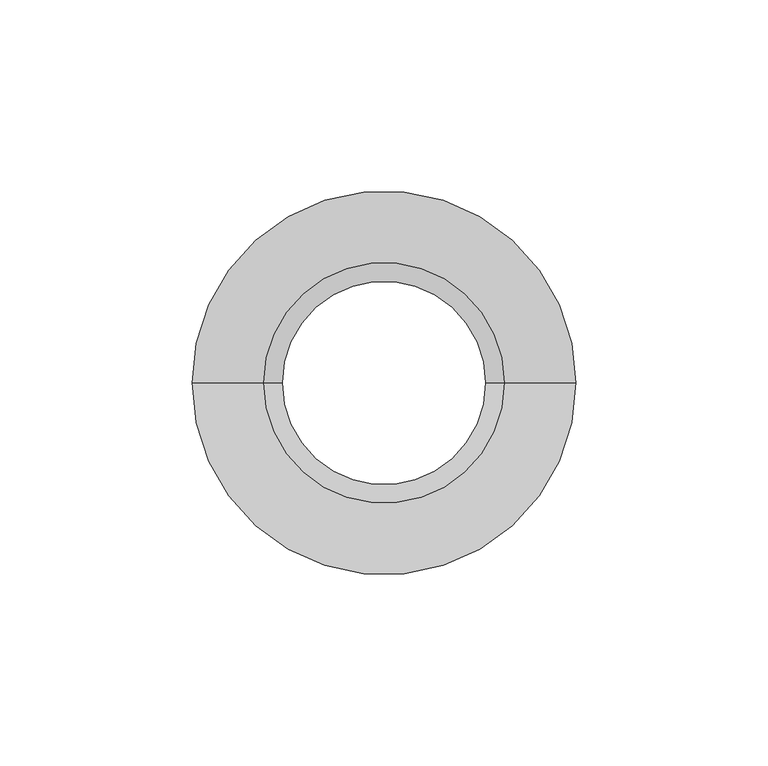
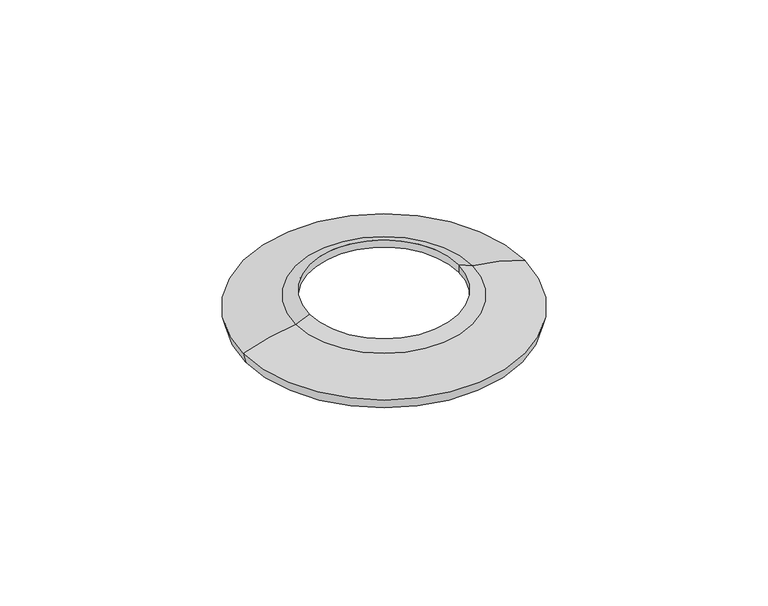
"""IFC4 building model written with IfcOpenShell, lengths in millimetres: proxy geometry."""

from ifc_helpers import new_model, si_unit, point, frame, origin, place, context, project, spatial, polyline, circle_curve, ellipse_curve, trimmed, source, transform, mapped, element, save
from ifc_brep_helpers import plane_surface, revolved_surface, advanced_brep


def electrical_fixtures_ba26aba7(model_context):
    return source(origin(), model_context, "Body", "AdvancedBrep", [
        advanced_brep(
        [(31.2841563, 0.0, 8.0076008), (-31.2841563, 0.0, 8.0076008), (-26.5, 0.0, 10.1), (26.5, 0.0, 10.1), (-26.5, 0.0, 7.3495066), (26.5, 0.0, 7.3495066), (49.9416023, 0.0, 3.5371028), (-49.9416023, 0.0, 3.5371028), (49.1183372, 0.0, 0.0), (-49.1183372, 0.0, 0.0), (48.0473465, 0.0, 0.0), (-48.0473465, 0.0, 0.0), (48.0473465, 0.0, 2.6069445), (-48.0473465, 0.0, 2.6069445)],
        [
            (0, 1, circle_curve(frame((0.0, 0.0, 8.0076008), z_axis=(0.0, 0.0, 1.0), x_axis=(-1.0, 0.0, 0.0)), 31.2841563)),
            (1, 2),
            (2, 3, circle_curve(frame((0.0, 0.0, 10.1), z_axis=(0.0, 0.0, -1.0), x_axis=(-1.0, 0.0, 0.0)), 26.5)),
            (3, 0),
            (1, 0, circle_curve(frame((0.0, 0.0, 8.0076008), z_axis=(0.0, 0.0, 1.0), x_axis=(-1.0, 0.0, 0.0)), 31.2841563)),
            (3, 2, circle_curve(frame((0.0, 0.0, 10.1), z_axis=(0.0, 0.0, -1.0), x_axis=(-1.0, 0.0, 0.0)), 26.5)),
            (2, 4),
            (4, 5, circle_curve(frame((0.0, 0.0, 7.3495066), z_axis=(0.0, 0.0, -1.0), x_axis=(-1.0, 0.0, 0.0)), 26.5)),
            (5, 3),
            (5, 4, circle_curve(frame((0.0, 0.0, 7.3495066), z_axis=(0.0, 0.0, -1.0), x_axis=(-1.0, 0.0, 0.0)), 26.5)),
            (6, 7, circle_curve(frame((0.0, 0.0, 3.5371028), z_axis=(0.0, 0.0, 1.0), x_axis=(-1.0, 0.0, 0.0)), 49.9416023)),
            (7, 1, circle_curve(frame((-22.4989683, 0.0, -69.8253366), z_axis=(0.0, 1.0, 0.0), x_axis=(1.0, 0.0, 0.0)), 78.3271708)),
            (0, 6, circle_curve(frame((22.4989683, 0.0, -69.8253366), z_axis=(0.0, 1.0, 0.0), x_axis=(-1.0, 0.0, 0.0)), 78.3271708)),
            (7, 6, circle_curve(frame((0.0, 0.0, 3.5371028), z_axis=(0.0, 0.0, 1.0), x_axis=(-1.0, 0.0, 0.0)), 49.9416023)),
            (8, 9, circle_curve(frame((0.0, 0.0, 0.0), z_axis=(0.0, 0.0, 1.0), x_axis=(-1.0, 0.0, 0.0)), 49.1183372)),
            (9, 7),
            (6, 8),
            (9, 8, circle_curve(frame((0.0, 0.0, 0.0), z_axis=(0.0, 0.0, 1.0), x_axis=(-1.0, 0.0, 0.0)), 49.1183372)),
            (10, 11, circle_curve(frame((0.0, 0.0, 0.0), z_axis=(0.0, 0.0, 1.0), x_axis=(-1.0, 0.0, 0.0)), 48.0473465)),
            (11, 9),
            (8, 10),
            (11, 10, circle_curve(frame((0.0, 0.0, 0.0), z_axis=(0.0, 0.0, 1.0), x_axis=(-1.0, 0.0, 0.0)), 48.0473465)),
            (12, 13, circle_curve(frame((0.0, 0.0, 2.6069445), z_axis=(0.0, 0.0, 1.0), x_axis=(-1.0, 0.0, 0.0)), 48.0473465)),
            (13, 11),
            (10, 12),
            (13, 12, circle_curve(frame((0.0, 0.0, 2.6069445), z_axis=(0.0, 0.0, 1.0), x_axis=(-1.0, 0.0, 0.0)), 48.0473465)),
            (4, 13, circle_curve(frame((-20.6047125, 0.0, -70.755495), z_axis=(0.0, -1.0, 0.0), x_axis=(1.0, 0.0, 0.0)), 78.3271708)),
            (12, 5, circle_curve(frame((20.6047125, 0.0, -70.755495), z_axis=(0.0, -1.0, 0.0), x_axis=(-1.0, 0.0, 0.0)), 78.3271708)),
        ],
        [
            revolved_surface(polyline([(-26.5, 0.0, 10.1), (-31.2841563, 0.0, 8.0076008)]), (0.0, 0.0, 2609.0581012), (0.0, 0.0, -1.0)),
            revolved_surface(polyline([(-26.5, 0.0, 7.349506600000041), (-26.5, 0.0, 10.099999999999909)]), (0.0, 0.0, 2609.0581012), (0.0, 0.0, -1.0)),
            revolved_surface(trimmed(ellipse_curve(frame((-22.4989683, 0.0, -69.8253366), z_axis=(0.0, -1.0, 0.0), x_axis=(1.0, 0.0, 0.0)), 78.3271708, 78.3271708), [point((-31.2841563, 0.0, 8.0076008))], [point((-49.9416023, 0.0, 3.5371028))], True, "CARTESIAN"), (0.0, 0.0, 2609.0581012), (0.0, 0.0, -1.0)),
            revolved_surface(polyline([(-49.9416023, 0.0, 3.5371028), (-49.1183372, 0.0, 0.0)]), (0.0, 0.0, 2609.0581012), (0.0, 0.0, -1.0)),
            plane_surface(frame((0.0, 0.0, 0.0), z_axis=(0.0, 0.0, -1.0), x_axis=(-1.0, 0.0, 0.0))),
            revolved_surface(polyline([(-48.0473465, 0.0, 0.0), (-48.0473465, 0.0, 2.606944499999827)]), (0.0, 0.0, 2609.0581012), (0.0, 0.0, -1.0)),
            revolved_surface(trimmed(ellipse_curve(frame((-20.6047125, 0.0, -70.755495), z_axis=(0.0, 1.0, 0.0), x_axis=(1.0, 0.0, 0.0)), 78.3271708, 78.3271708), [point((-48.0473465, 0.0, 2.6069445))], [point((-26.5, 0.0, 7.3495066))], True, "CARTESIAN"), (0.0, 0.0, 2609.0581012), (0.0, 0.0, -1.0)),
        ],
        [
            (0, [[1, 2, 3, 4]]),
            (0, [[5, -4, 6, -2]]),
            (1, [[-3, 7, 8, 9]]),
            (1, [[-6, -9, 10, -7]]),
            (2, [[11, 12, -1, 13]]),
            (2, [[14, -13, -5, -12]]),
            (3, [[15, 16, -11, 17]]),
            (3, [[18, -17, -14, -16]]),
            (4, [[19, 20, -15, 21]]),
            (4, [[22, -21, -18, -20]]),
            (5, [[23, 24, -19, 25]]),
            (5, [[26, -25, -22, -24]]),
            (6, [[-8, 27, -23, 28]]),
            (6, [[-10, -28, -26, -27]]),
        ],
    ),
    ])


if __name__ == "__main__":
    model = new_model("IFC4")
    model_context = context("Model", 3, world=origin())
    ifc_project = project(units=[si_unit("LENGTHUNIT", "METRE", prefix="MILLI")], contexts=[model_context])
    site = spatial("IfcSite", under=ifc_project)
    building = spatial("IfcBuilding", under=site)
    placement = place(None, origin())
    electrical_fixtures_shape = electrical_fixtures_ba26aba7(model_context)
    element("IfcBuildingElementProxy", 1, Name="Electrical Fixtures", at=placement, inside=building, context=model_context, shape_type="MappedRepresentation", body=[
        mapped(electrical_fixtures_shape, transform((0.0, 0.0, 0.0), x_axis=(1.0, 0.0, 0.0), y_axis=(0.0, 1.0, 0.0), z_axis=(0.0, 0.0, 1.0))),
    ])
    save(model, "model.ifc")
